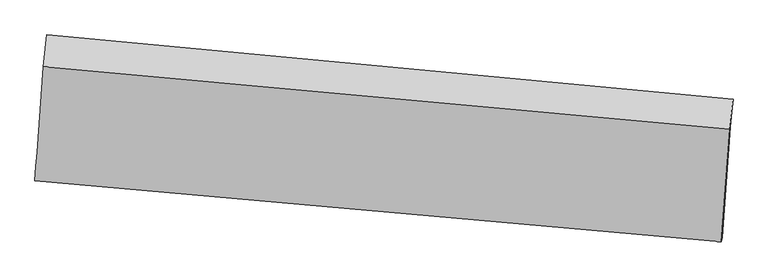
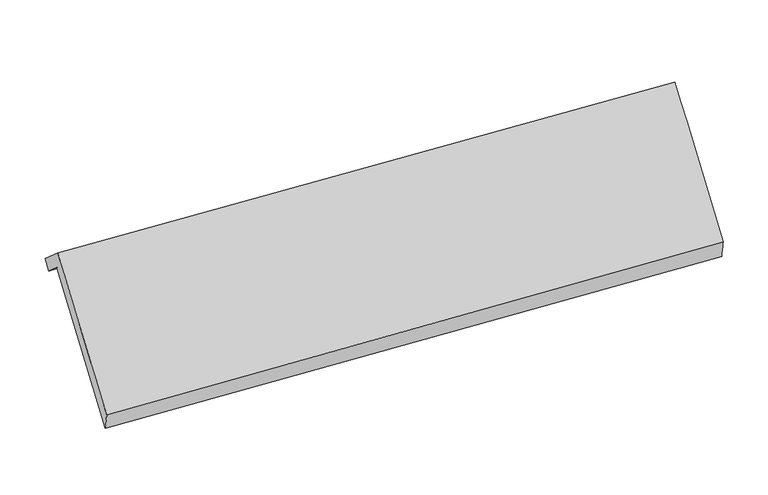
"""IFC4 building model written with IfcOpenShell, lengths in millimetres: proxy geometry."""

from ifc_helpers import new_model, si_unit, frame, origin, place, context, project, spatial, source, transform, mapped, element, save
from ifc_brep_helpers import plane_surface, spline_surface, advanced_brep


def generic_models_6567f623(model_context):
    return source(origin(), model_context, "Body", "AdvancedBrep", [
        advanced_brep(
        [(-5479.4572245, -1030.8612308, 2193.7902628), (-5463.1604303, -874.6233703, 2060.8251255), (-193.1331424, -1362.4238391, 2150.9315145), (-209.3713533, -1518.100059, 2283.4186715), (-5544.3021806, -1899.5773692, 1215.9365009), (-272.4309904, -2362.7437765, 1283.2091437), (-5549.0340751, -1927.108314, 1363.3264847), (-277.8521135, -2396.4298701, 1442.8079165), (-5483.8850071, -1054.0096123, 2347.6475805), (-212.7677523, -1533.1711907, 2421.4750316), (-5458.297582, -808.7021921, 2138.880418), (-188.5393107, -1300.8923863, 2223.7957814)],
        [
            (0, 1),
            (1, 2),
            (2, 3),
            (3, 0),
            (4, 0),
            (3, 5),
            (5, 4),
            (6, 4),
            (5, 7),
            (7, 6),
            (8, 6),
            (7, 9),
            (9, 8),
            (10, 8),
            (9, 11),
            (11, 10),
            (1, 10),
            (11, 2),
        ],
        [
            plane_surface(frame((-5471.3088274, -952.7423005, 2127.3076942), z_axis=(-0.04661554856556642, -0.644580481162869, -0.7631140110991119), x_axis=(0.07918571724668211, 0.7591558704714488, -0.6460742886950891))),
            spline_surface(1, 1, [[(-5544.3021806, -1899.5773692, 1215.9365009), (-272.4309904, -2362.7437765, 1283.2091437)], [(-5479.4572245, -1030.8612308, 2193.7902628), (-209.3713533, -1518.100059, 2283.4186715)]], [2, 2], [2, 2], [0.0, 1.0], [0.0, 1.0]),
            spline_surface(1, 1, [[(-5549.0340751, -1927.108314, 1363.3264847), (-277.8521135, -2396.4298701, 1442.8079165)], [(-5544.3021806, -1899.5773692, 1215.9365009), (-272.4309904, -2362.7437765, 1283.2091437)]], [2, 2], [2, 2], [0.0, 1.0], [0.0, 1.0]),
            spline_surface(1, 1, [[(-5483.8850071, -1054.0096123, 2347.6475805), (-212.7677523, -1533.1711907, 2421.4750316)], [(-5549.0340751, -1927.108314, 1363.3264847), (-277.8521135, -2396.4298701, 1442.8079165)]], [2, 2], [2, 2], [0.0, 1.0], [0.0, 1.0]),
            plane_surface(frame((-5471.0912946, -931.3559022, 2243.2639993), z_axis=(0.04789534551517294, 0.644463573929253, 0.7631334993016077), x_axis=(-0.07918571724668279, -0.7591558704713715, 0.64607428869518))),
            spline_surface(1, 1, [[(-5463.1604303, -874.6233703, 2060.8251255), (-193.1331424, -1362.4238391, 2150.9315145)], [(-5458.297582, -808.7021921, 2138.880418), (-188.5393107, -1300.8923863, 2223.7957814)]], [2, 2], [2, 2], [0.0, 1.0], [0.0, 1.0]),
            plane_surface(frame((-225.6824438, -1745.6268536, 1967.6063432), z_axis=(0.9956981256400221, -0.09151412526089639, 0.014505429144965706), x_axis=(-0.049811457590050144, -0.6606836469776032, -0.749009971435046))),
            plane_surface(frame((-5496.3560833, -1265.8136814, 1886.7343954), z_axis=(-0.9957255105912803, 0.09114512011390517, -0.014942377225732995), x_axis=(-0.07918571724651345, -0.7591558704713872, 0.6460742886951821))),
        ],
        [
            (0, [[1, 2, 3, 4]]),
            (1, [[5, -4, 6, 7]]),
            (2, [[8, -7, 9, 10]]),
            (3, [[11, -10, 12, 13]]),
            (4, [[14, -13, 15, 16]]),
            (5, [[17, -16, 18, -2]]),
            (6, [[-12, -9, -6, -3, -18, -15]]),
            (7, [[-1, -5, -8, -11, -14, -17]]),
        ],
    ),
    ])


if __name__ == "__main__":
    model = new_model("IFC4")
    model_context = context("Model", 3, world=origin())
    ifc_project = project(units=[si_unit("LENGTHUNIT", "METRE", prefix="MILLI")], contexts=[model_context])
    site = spatial("IfcSite", under=ifc_project)
    building = spatial("IfcBuilding", under=site)
    placement = place(None, origin())
    generic_models_shape = generic_models_6567f623(model_context)
    element("IfcBuildingElementProxy", 1, Name="Generic Models", at=placement, inside=building, context=model_context, shape_type="MappedRepresentation", body=[
        mapped(generic_models_shape, transform((0.0, 0.0, 0.0), x_axis=(1.0, 0.0, 0.0), y_axis=(0.0, 1.0, 0.0), z_axis=(0.0, 0.0, 1.0))),
    ])
    save(model, "model.ifc")
